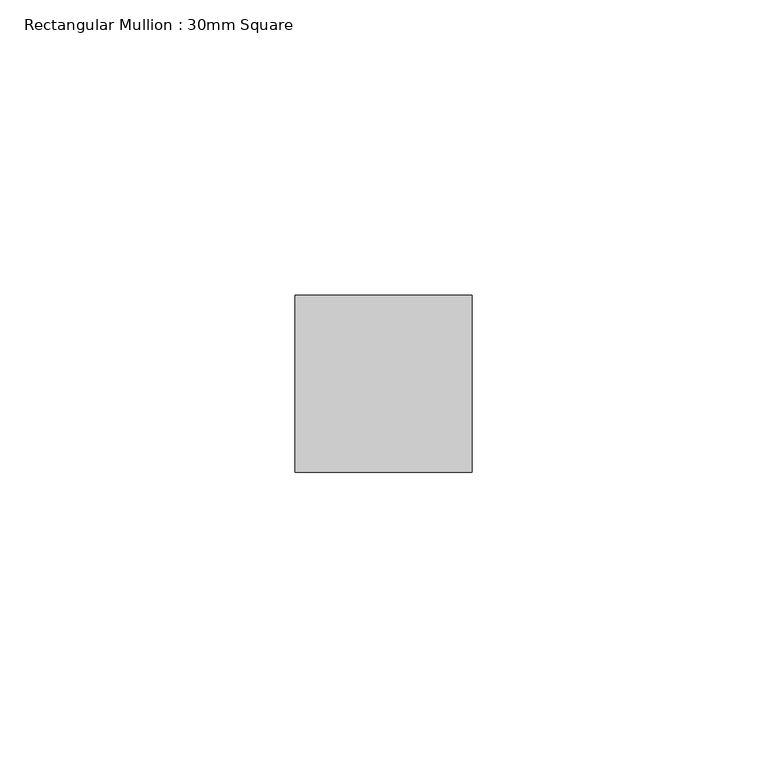
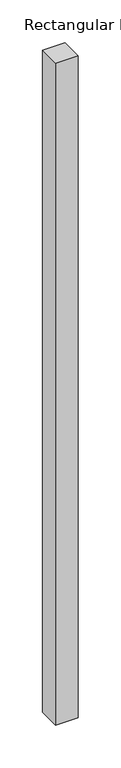
"""IFC4 building model written with IfcOpenShell, lengths in millimetres: member geometry, Rectangular Mullion : 30mm Square."""

from ifc_helpers import new_model, si_unit, frame, origin, place, context, project, spatial, polyline, outline, extrude, source, transform, mapped, element, save


def rectangular_mullion_30mm_square_fe4b87f9(model_context):
    return source(origin(), model_context, "Body", "SweptSolid", [
        extrude(outline(polyline([(0.0, 15.0), (0.0, -15.0), (-30.0, -15.0), (-30.0, 15.0), (0.0, 15.0)])), frame((0.0, 0.0, -940.1405838), z_axis=(0.0, 0.0, 1.0), x_axis=(1.0, 0.0, 0.0)), (0.0, 0.0, 1.0), 940.1405838),
    ])


if __name__ == "__main__":
    model = new_model("IFC4")
    model_context = context("Model", 3, world=origin())
    ifc_project = project(units=[si_unit("LENGTHUNIT", "METRE", prefix="MILLI")], contexts=[model_context])
    site = spatial("IfcSite", under=ifc_project)
    building = spatial("IfcBuilding", under=site)
    placement = place(None, origin())
    rectangular_mullion_30mm_square_shape = rectangular_mullion_30mm_square_fe4b87f9(model_context)
    element("IfcMember", 1, ObjectType="Rectangular Mullion : 30mm Square", at=placement, inside=building, context=model_context, shape_type="MappedRepresentation", body=[
        mapped(rectangular_mullion_30mm_square_shape, transform((0.0, 0.0, 0.0), x_axis=(1.0, 0.0, 0.0), y_axis=(0.0, 1.0, 0.0), z_axis=(0.0, 0.0, 1.0))),
    ])
    save(model, "model.ifc")
